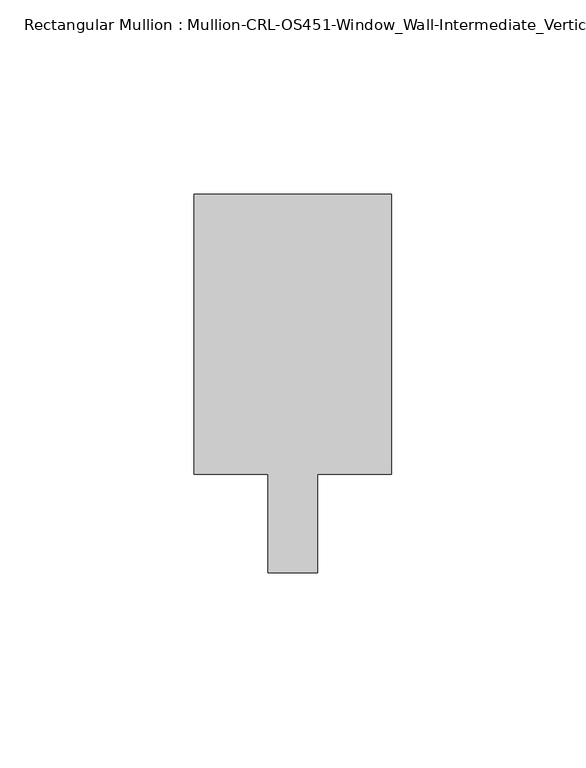
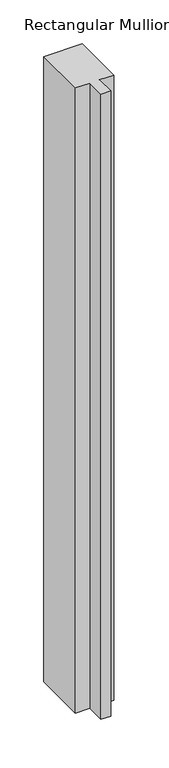
"""IFC4 building model written with IfcOpenShell, lengths in millimetres: member geometry, Rectangular Mullion : Mullion-CRL-OS451-Window_Wall-Intermediate_Vertical-butt."""

from ifc_helpers import new_model, si_unit, frame, origin, place, context, project, spatial, polyline, outline, extrude, source, transform, mapped, element, save


def rectangular_mullion_mullion_crl_os451_window_wall_a20666d5(model_context):
    return source(origin(), model_context, "Body", "SweptSolid", [
        extrude(outline(polyline([(-25.4, 12.7), (-25.4, 84.6587463), (25.4, 84.6587463), (25.4, 12.7), (6.35, 12.7), (6.35, -12.7), (-6.35, -12.7), (-6.35, 12.7), (-25.4, 12.7)])), frame((0.0, 0.0, -871.2199516), z_axis=(0.0, 0.0, 1.0), x_axis=(1.0, 0.0, 0.0)), (0.0, 0.0, 1.0), 871.2199516),
    ])


if __name__ == "__main__":
    model = new_model("IFC4")
    model_context = context("Model", 3, world=origin())
    ifc_project = project(units=[si_unit("LENGTHUNIT", "METRE", prefix="MILLI")], contexts=[model_context])
    site = spatial("IfcSite", under=ifc_project)
    building = spatial("IfcBuilding", under=site)
    placement = place(None, origin())
    rectangular_mullion_mullion_crl_os451_window_wall_shape = rectangular_mullion_mullion_crl_os451_window_wall_a20666d5(model_context)
    element("IfcMember", 1, ObjectType="Rectangular Mullion : Mullion-CRL-OS451-Window_Wall-Intermediate_Vertical-butt", at=placement, inside=building, context=model_context, shape_type="MappedRepresentation", body=[
        mapped(rectangular_mullion_mullion_crl_os451_window_wall_shape, transform((0.0, 0.0, 0.0), x_axis=(1.0, 0.0, 0.0), y_axis=(0.0, 1.0, 0.0), z_axis=(0.0, 0.0, 1.0))),
    ])
    save(model, "model.ifc")
